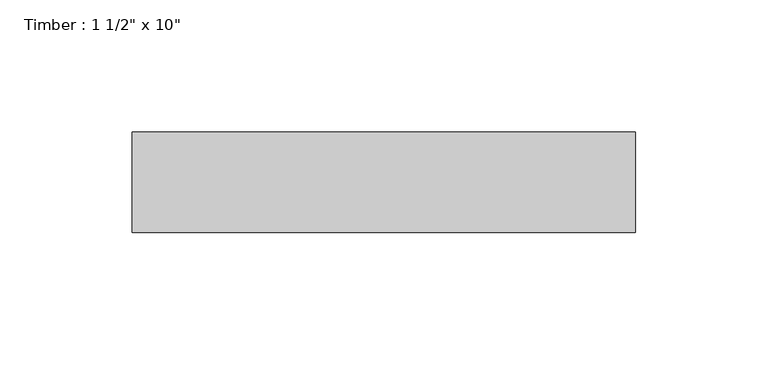
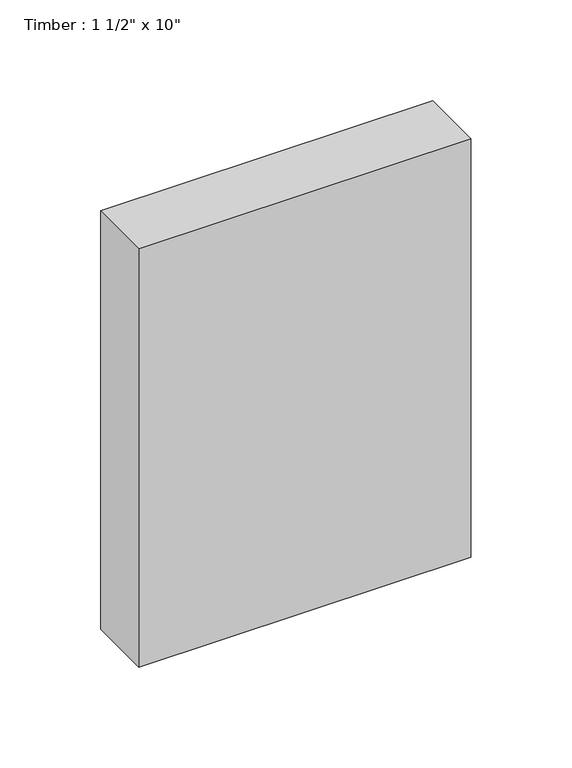
"""IFC4 building model written with IfcOpenShell, lengths in millimetres: beam geometry."""

import ifcopenshell
import ifcopenshell.guid

model = None  # the IFC model being written
_history = None  # IfcOwnerHistory: only IFC2X3 demands one
_inside = {}  # id of a spatial element -> (the spatial element, [elements in it])
_under = {}  # id of a project, library or spatial element -> (it, [spatial elements below it])
_declared = {}  # id of a project -> (the project, [libraries it declares])
_typed = {}  # id of a type object -> (the type object, [elements of that type])
_made_of = {}  # id of a material, layer set ... -> (it, [elements and type objects made of it])


def new_model(schema):
    """Start an empty IFC model of exactly this schema.

    Asked for "IFC4X3", IfcOpenShell would pick the latest addendum, in which some entities
    have other attributes; the version numbers below select the first issue.
    IFC2X3 requires an IfcOwnerHistory on every rooted entity: one is made here for all.
    """
    global model, _history
    if schema == "IFC4X3":
        model = ifcopenshell.file(schema_version=(4, 3, 0, 0))
    else:
        model = ifcopenshell.file(schema=schema)
    _inside.clear()
    _under.clear()
    _declared.clear()
    _typed.clear()
    _made_of.clear()
    _history = None
    if model.schema == "IFC2X3":
        org = make("IfcOrganization", Name="unknown")
        user = make(
            "IfcPersonAndOrganization",
            ThePerson=make("IfcPerson", FamilyName="unknown"),
            TheOrganization=org,
        )
        app = make(
            "IfcApplication",
            ApplicationDeveloper=org,
            Version="unknown",
            ApplicationFullName="unknown",
            ApplicationIdentifier="unknown",
        )
        _history = make(
            "IfcOwnerHistory",
            OwningUser=user,
            OwningApplication=app,
            ChangeAction="ADDED",
            CreationDate=0,
        )
    return model


def make(cls, **values):
    """One entity of the class cls with the attributes given. An attribute that is None is left unset."""
    return model.create_entity(
        cls, **{name: value for name, value in values.items() if value is not None}
    )


def rooted(cls, **values):
    """An entity with a GlobalId (a new one), such as an element, a storey or a relation."""
    return make(cls, GlobalId=ifcopenshell.guid.new(), OwnerHistory=_history, **values)


def si_unit(unit_type, name, prefix=None):
    """IfcSIUnit, for example si_unit("LENGTHUNIT", "METRE", prefix="MILLI")."""
    return make("IfcSIUnit", UnitType=unit_type, Prefix=prefix, Name=name)


def assignment(units):
    """IfcUnitAssignment: the units of a project."""
    return None if units is None else make("IfcUnitAssignment", Units=units)


def point(xyz):
    """IfcCartesianPoint."""
    return None if xyz is None else make("IfcCartesianPoint", Coordinates=xyz)


def direction(xyz):
    """IfcDirection."""
    return None if xyz is None else make("IfcDirection", DirectionRatios=xyz)


def frame(location, z_axis=None, x_axis=None):
    """IfcAxis2Placement3D, a coordinate frame: its origin and axes. An axis left out is left unset."""
    return make(
        "IfcAxis2Placement3D",
        Location=point(location),
        Axis=direction(z_axis),
        RefDirection=direction(x_axis),
    )


def origin():
    """The frame at (0, 0, 0) with its axes left unset."""
    return frame((0.0, 0.0, 0.0))


def place(relative_to, where):
    """IfcLocalPlacement: puts the frame where relative to a parent placement (None: the world)."""
    return make(
        "IfcLocalPlacement", PlacementRelTo=relative_to, RelativePlacement=where
    )


def context(
    kind, dimensions, precision=None, world=None, true_north=None, identifier=None
):
    """IfcGeometricRepresentationContext, for example the 3D "Model" context."""
    return make(
        "IfcGeometricRepresentationContext",
        ContextIdentifier=identifier,
        ContextType=kind,
        CoordinateSpaceDimension=dimensions,
        Precision=precision,
        WorldCoordinateSystem=world,
        TrueNorth=true_north,
    )


def project(units=None, contexts=None):
    """IfcProject with its units and contexts."""
    return rooted(
        "IfcProject",
        Name="project",
        RepresentationContexts=contexts,
        UnitsInContext=assignment(units),
    )


def spatial(cls, under=None, at=None, **own):
    """A site, building, storey or space (cls), placed at a placement, below another one or the project."""
    s = rooted(cls, ObjectPlacement=at, **own)
    if under is not None:
        _under.setdefault(under.id(), (under, []))[1].append(s)
    return s


def polyline(points):
    """IfcPolyline through the points."""
    return make("IfcPolyline", Points=[point(p) for p in points])


def outline(outer, holes=None, kind="AREA"):
    """IfcArbitraryClosedProfileDef: a profile drawn as a closed curve; with holes, ...WithVoids."""
    if holes is None:
        return make("IfcArbitraryClosedProfileDef", ProfileType=kind, OuterCurve=outer)
    return make(
        "IfcArbitraryProfileDefWithVoids",
        ProfileType=kind,
        OuterCurve=outer,
        InnerCurves=holes,
    )


def extrude(swept, where, along, depth):
    """IfcExtrudedAreaSolid: the profile swept, set in the frame where, extruded along a direction by depth."""
    return make(
        "IfcExtrudedAreaSolid",
        SweptArea=swept,
        Position=where,
        ExtrudedDirection=direction(along),
        Depth=depth,
    )


def shape(context_of_items, identifier, shape_type, items):
    """IfcShapeRepresentation: the items that make up one representation, for example the "Body"."""
    return make(
        "IfcShapeRepresentation",
        ContextOfItems=context_of_items,
        RepresentationIdentifier=identifier,
        RepresentationType=shape_type,
        Items=items,
    )


def source(mapping_origin, context_of_items, identifier, shape_type, items):
    """IfcRepresentationMap: a shape defined once, which mapped items show again and again."""
    return make(
        "IfcRepresentationMap",
        MappingOrigin=mapping_origin,
        MappedRepresentation=shape(context_of_items, identifier, shape_type, items),
    )


def transform(
    local_origin,
    x_axis=None,
    y_axis=None,
    z_axis=None,
    scale=None,
    scale2=None,
    scale3=None,
    uniform=True,
):
    """IfcCartesianTransformationOperator3D, or its non-uniform kind. x_axis, y_axis, z_axis: its Axis1, 2, 3."""
    if uniform:
        return make(
            "IfcCartesianTransformationOperator3D",
            Axis1=direction(x_axis),
            Axis2=direction(y_axis),
            LocalOrigin=point(local_origin),
            Scale=scale,
            Axis3=direction(z_axis),
        )
    return make(
        "IfcCartesianTransformationOperator3DnonUniform",
        Axis1=direction(x_axis),
        Axis2=direction(y_axis),
        LocalOrigin=point(local_origin),
        Scale=scale,
        Axis3=direction(z_axis),
        Scale2=scale2,
        Scale3=scale3,
    )


def mapped(mapping_source, mapping_target):
    """IfcMappedItem: shows the shape of a source again, moved by a transform."""
    return make(
        "IfcMappedItem", MappingSource=mapping_source, MappingTarget=mapping_target
    )


def made_of(thing, what):
    """Note that an element or type object is made of a material, layer set ...; save() writes the relation."""
    if what is not None:
        _made_of.setdefault(what.id(), (what, []))[1].append(thing)
    return thing


def element(
    cls,
    number,
    at=None,
    inside=None,
    cuts=None,
    type_object=None,
    material=None,
    context=None,
    identifier="Body",
    shape_type=None,
    held_by="IfcProductDefinitionShape",
    body=None,
    shapes=None,
    **own,
):
    """One element of the class cls, such as IfcWall. Its Tag is "e" and its number.

    at: its placement. inside: the storey or other place that contains it. cuts: it is an
    opening in that element (IfcRelVoidsElement). A single representation is given by context,
    identifier, shape_type and body (its items); several are given by shapes. held_by: the class
    of the entity that holds the representations. save() writes the other relations.
    """
    e = rooted(cls, Tag="e%d" % number, ObjectPlacement=at, **own)
    if body is not None:
        shapes = [shape(context, identifier, shape_type, body)]
    if shapes is not None:
        e.Representation = make(held_by, Representations=shapes)
    if inside is not None:
        _inside.setdefault(inside.id(), (inside, []))[1].append(e)
    if cuts is not None:
        rooted(
            "IfcRelVoidsElement", RelatingBuildingElement=cuts, RelatedOpeningElement=e
        )
    if type_object is not None:
        _typed.setdefault(type_object.id(), (type_object, []))[1].append(e)
    return made_of(e, material)


def aggregate(whole, parts):
    """IfcRelAggregates: a whole, such as a stair, and the parts it consists of."""
    return rooted("IfcRelAggregates", RelatingObject=whole, RelatedObjects=parts)


def save(model, path):
    """Write the relations noted so far, then the file.

    IfcRelAggregates (storeys below a building ...), IfcRelContainedInSpatialStructure (elements
    in a storey), IfcRelDefinesByType, IfcRelAssociatesMaterial and IfcRelDeclares: one each for
    every whole, place, type object, material and project.
    """
    for whole, parts in _under.values():
        aggregate(whole, parts)
    for where, things in _inside.values():
        rooted(
            "IfcRelContainedInSpatialStructure",
            RelatedElements=things,
            RelatingStructure=where,
        )
    for kind, things in _typed.values():
        rooted("IfcRelDefinesByType", RelatedObjects=things, RelatingType=kind)
    for what, things in _made_of.values():
        rooted("IfcRelAssociatesMaterial", RelatedObjects=things, RelatingMaterial=what)
    for by, libraries in _declared.values():
        rooted("IfcRelDeclares", RelatingContext=by, RelatedDefinitions=libraries)
    model.write(path)


def beam_ef664c3a(model_context):
    return source(origin(), model_context, "Body", "SweptSolid", [
        extrude(outline(polyline([(95.25, 19.05), (95.25, -19.05), (-95.25, -19.05), (-95.25, 19.05), (95.25, 19.05)])), frame((0.0, 0.0, -127.0), z_axis=(0.0, 0.0, 1.0), x_axis=(1.0, 0.0, 0.0)), (0.0, 0.0, 1.0), 254.0),
    ])


if __name__ == "__main__":
    model = new_model("IFC4")
    model_context = context("Model", 3, world=origin())
    ifc_project = project(units=[si_unit("LENGTHUNIT", "METRE", prefix="MILLI")], contexts=[model_context])
    site = spatial("IfcSite", under=ifc_project)
    building = spatial("IfcBuilding", under=site)
    placement = place(None, origin())
    beam_shape = beam_ef664c3a(model_context)
    element("IfcBeam", 1, ObjectType="Timber : 1 1/2\" x 10\"", at=placement, inside=building, context=model_context, shape_type="MappedRepresentation", body=[
        mapped(beam_shape, transform((0.0, 0.0, 0.0), x_axis=(1.0, 0.0, 0.0), y_axis=(0.0, 1.0, 0.0), z_axis=(0.0, 0.0, 1.0))),
    ])
    save(model, "model.ifc")
